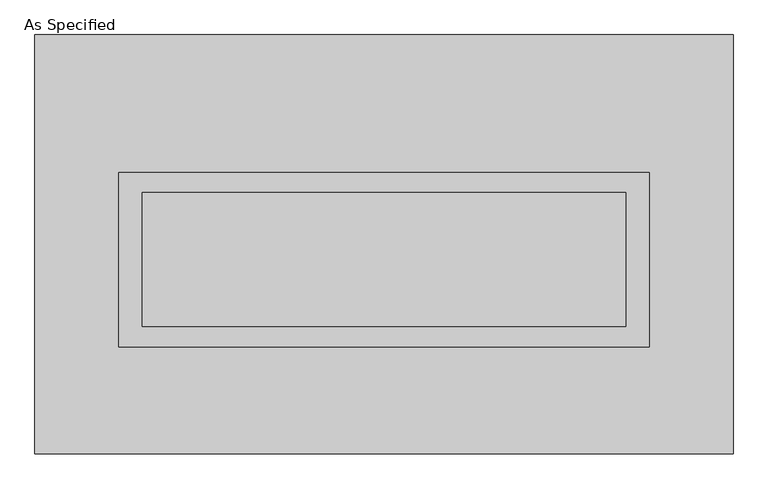
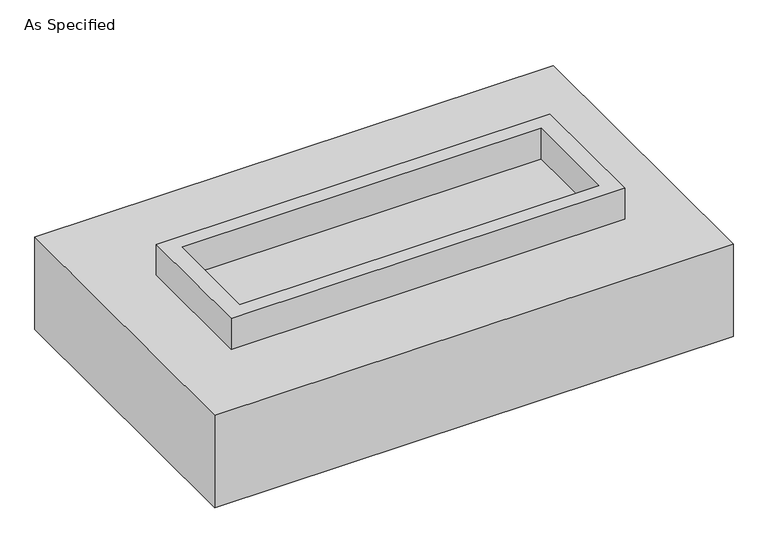
"""IFC4 building model written with IfcOpenShell, lengths in millimetres: proxy geometry, As Specified."""

from ifc_helpers import new_model, si_unit, frame, origin, place, context, project, spatial, polyline, outline, extrude, faceted_brep, source, transform, mapped, element, save


def as_specified_a72721a8(model_context):
    return source(origin(), model_context, "Body", "SolidModel", [
        extrude(outline(polyline([(1003.3, 273.05), (1003.3, -387.35), (-1003.3, -387.35), (-1003.3, 273.05), (1003.3, 273.05)]), holes=[polyline([(914.4, 196.85), (-914.4, 196.85), (-914.4, -311.15), (914.4, -311.15), (914.4, 196.85)])]), frame((0.0, 0.0, -25.4), z_axis=(0.0, 0.0, 1.0), x_axis=(1.0, 0.0, 0.0)), (0.0, 0.0, 1.0), 165.1),
        extrude(outline(polyline([(914.4, 196.85), (914.4, -311.15), (-914.4, -311.15), (-914.4, 196.85), (914.4, 196.85)])), frame((0.0, 0.0, -30.3609375), z_axis=(0.0, 0.0, 1.0), x_axis=(1.0, 0.0, 0.0)), (0.0, 0.0, 1.0), 4.9609375),
        faceted_brep([(1320.8, -793.75, -523.875), (-1320.8, -793.75, -523.875), (-1320.8, 793.75, -523.875), (1320.8, 793.75, -523.875), (1320.8, 793.75, -25.4), (-1320.8, 793.75, -25.4), (-1320.8, -793.75, -25.4), (1320.8, -793.75, -25.4), (1003.3, 273.05, -25.4), (1003.3, -387.35, -25.4), (-1003.3, -387.35, -25.4), (-1003.3, 273.05, -25.4), (1003.3, 273.05, -498.475), (-1003.3, 273.05, -498.475), (-1003.3, -387.35, -498.475), (1003.3, -387.35, -498.475)], [[[0, 1, 2, 3]], [[4, 5, 6, 7], [8, 9, 10, 11]], [[3, 2, 5, 4]], [[2, 1, 6, 5]], [[0, 3, 4, 7]], [[12, 13, 14, 15]], [[14, 13, 11, 10]], [[13, 12, 8, 11]], [[12, 15, 9, 8]], [[10, 9, 15, 14]], [[1, 0, 7, 6]]]),
    ])


if __name__ == "__main__":
    model = new_model("IFC4")
    model_context = context("Model", 3, world=origin())
    ifc_project = project(units=[si_unit("LENGTHUNIT", "METRE", prefix="MILLI")], contexts=[model_context])
    site = spatial("IfcSite", under=ifc_project)
    building = spatial("IfcBuilding", under=site)
    placement = place(None, origin())
    as_specified_shape = as_specified_a72721a8(model_context)
    element("IfcBuildingElementProxy", 1, Name="As Specified", ObjectType="As Specified", at=placement, inside=building, context=model_context, shape_type="MappedRepresentation", body=[
        mapped(as_specified_shape, transform((0.0, 0.0, 0.0), x_axis=(1.0, 0.0, 0.0), y_axis=(0.0, 1.0, 0.0), z_axis=(0.0, 0.0, 1.0))),
    ])
    save(model, "model.ifc")
